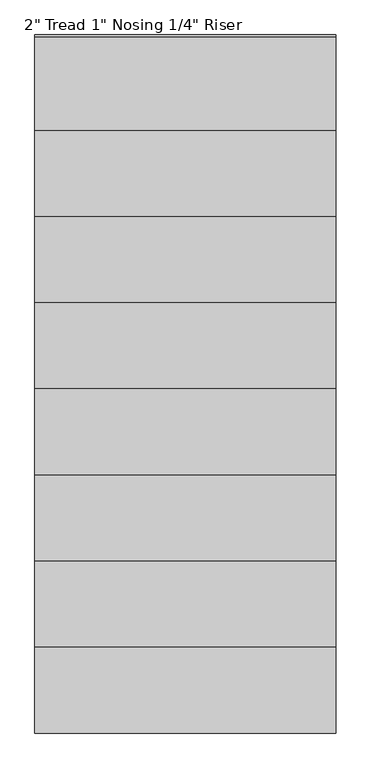
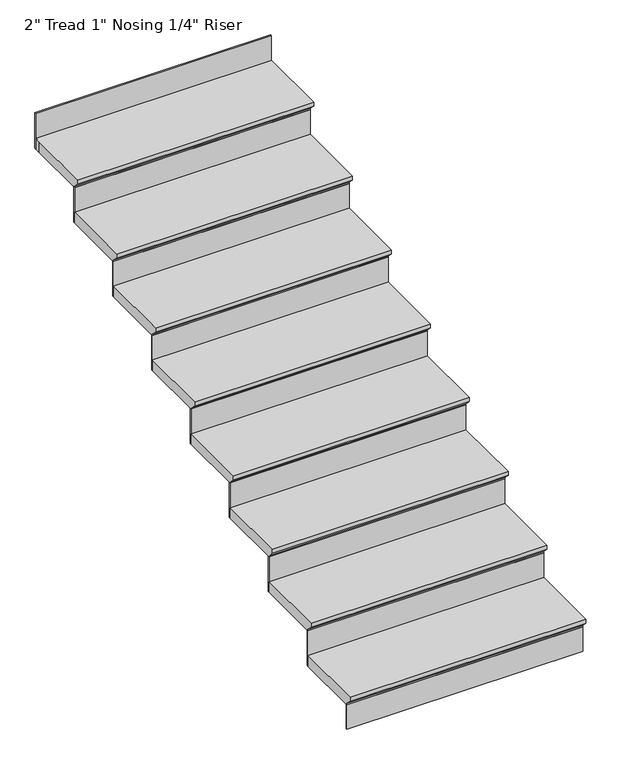
"""IFC4 building model written with IfcOpenShell, lengths in millimetres: stair flight geometry."""

import ifcopenshell
import ifcopenshell.guid

model = None  # the IFC model being written
_history = None  # IfcOwnerHistory: only IFC2X3 demands one
_inside = {}  # id of a spatial element -> (the spatial element, [elements in it])
_under = {}  # id of a project, library or spatial element -> (it, [spatial elements below it])
_declared = {}  # id of a project -> (the project, [libraries it declares])
_typed = {}  # id of a type object -> (the type object, [elements of that type])
_made_of = {}  # id of a material, layer set ... -> (it, [elements and type objects made of it])


def new_model(schema):
    """Start an empty IFC model of exactly this schema.

    Asked for "IFC4X3", IfcOpenShell would pick the latest addendum, in which some entities
    have other attributes; the version numbers below select the first issue.
    IFC2X3 requires an IfcOwnerHistory on every rooted entity: one is made here for all.
    """
    global model, _history
    if schema == "IFC4X3":
        model = ifcopenshell.file(schema_version=(4, 3, 0, 0))
    else:
        model = ifcopenshell.file(schema=schema)
    _inside.clear()
    _under.clear()
    _declared.clear()
    _typed.clear()
    _made_of.clear()
    _history = None
    if model.schema == "IFC2X3":
        org = make("IfcOrganization", Name="unknown")
        user = make(
            "IfcPersonAndOrganization",
            ThePerson=make("IfcPerson", FamilyName="unknown"),
            TheOrganization=org,
        )
        app = make(
            "IfcApplication",
            ApplicationDeveloper=org,
            Version="unknown",
            ApplicationFullName="unknown",
            ApplicationIdentifier="unknown",
        )
        _history = make(
            "IfcOwnerHistory",
            OwningUser=user,
            OwningApplication=app,
            ChangeAction="ADDED",
            CreationDate=0,
        )
    return model


def make(cls, **values):
    """One entity of the class cls with the attributes given. An attribute that is None is left unset."""
    return model.create_entity(
        cls, **{name: value for name, value in values.items() if value is not None}
    )


def rooted(cls, **values):
    """An entity with a GlobalId (a new one), such as an element, a storey or a relation."""
    return make(cls, GlobalId=ifcopenshell.guid.new(), OwnerHistory=_history, **values)


def si_unit(unit_type, name, prefix=None):
    """IfcSIUnit, for example si_unit("LENGTHUNIT", "METRE", prefix="MILLI")."""
    return make("IfcSIUnit", UnitType=unit_type, Prefix=prefix, Name=name)


def assignment(units):
    """IfcUnitAssignment: the units of a project."""
    return None if units is None else make("IfcUnitAssignment", Units=units)


def point(xyz):
    """IfcCartesianPoint."""
    return None if xyz is None else make("IfcCartesianPoint", Coordinates=xyz)


def direction(xyz):
    """IfcDirection."""
    return None if xyz is None else make("IfcDirection", DirectionRatios=xyz)


def frame(location, z_axis=None, x_axis=None):
    """IfcAxis2Placement3D, a coordinate frame: its origin and axes. An axis left out is left unset."""
    return make(
        "IfcAxis2Placement3D",
        Location=point(location),
        Axis=direction(z_axis),
        RefDirection=direction(x_axis),
    )


def origin():
    """The frame at (0, 0, 0) with its axes left unset."""
    return frame((0.0, 0.0, 0.0))


def place(relative_to, where):
    """IfcLocalPlacement: puts the frame where relative to a parent placement (None: the world)."""
    return make(
        "IfcLocalPlacement", PlacementRelTo=relative_to, RelativePlacement=where
    )


def context(
    kind, dimensions, precision=None, world=None, true_north=None, identifier=None
):
    """IfcGeometricRepresentationContext, for example the 3D "Model" context."""
    return make(
        "IfcGeometricRepresentationContext",
        ContextIdentifier=identifier,
        ContextType=kind,
        CoordinateSpaceDimension=dimensions,
        Precision=precision,
        WorldCoordinateSystem=world,
        TrueNorth=true_north,
    )


def project(units=None, contexts=None):
    """IfcProject with its units and contexts."""
    return rooted(
        "IfcProject",
        Name="project",
        RepresentationContexts=contexts,
        UnitsInContext=assignment(units),
    )


def spatial(cls, under=None, at=None, **own):
    """A site, building, storey or space (cls), placed at a placement, below another one or the project."""
    s = rooted(cls, ObjectPlacement=at, **own)
    if under is not None:
        _under.setdefault(under.id(), (under, []))[1].append(s)
    return s


def faces_of(points, faces, orient=None, outer=None):
    """IfcFace entities. A face is a list of loops; a loop is a list of indices into points, from 0.

    orient and outer hold one flag for each loop. By default every Orientation is true, the
    first loop of a face is its IfcFaceOuterBound and the others are IfcFaceBound.
    """
    made = []
    for i, loops in enumerate(faces):
        bounds = []
        for j, loop in enumerate(loops):
            is_outer = j == 0 if outer is None else outer[i][j]
            bounds.append(
                make(
                    "IfcFaceOuterBound" if is_outer else "IfcFaceBound",
                    Bound=make("IfcPolyLoop", Polygon=[points[k] for k in loop]),
                    Orientation=True if orient is None else orient[i][j],
                )
            )
        made.append(make("IfcFace", Bounds=bounds))
    return made


def faceted_brep(points, faces, orient=None, outer=None, voids=None):
    """IfcFacetedBrep: a solid bounded by flat faces; with voids (closed shells), ...WithVoids."""
    shared = [point(p) for p in points]
    hull = make("IfcClosedShell", CfsFaces=faces_of(shared, faces, orient, outer))
    if voids is None:
        return make("IfcFacetedBrep", Outer=hull)
    return make(
        "IfcFacetedBrepWithVoids",
        Outer=hull,
        Voids=[
            make(cls, CfsFaces=faces_of(shared, fs, o, b)) for cls, fs, o, b in voids
        ],
    )


def shape(context_of_items, identifier, shape_type, items):
    """IfcShapeRepresentation: the items that make up one representation, for example the "Body"."""
    return make(
        "IfcShapeRepresentation",
        ContextOfItems=context_of_items,
        RepresentationIdentifier=identifier,
        RepresentationType=shape_type,
        Items=items,
    )


def source(mapping_origin, context_of_items, identifier, shape_type, items):
    """IfcRepresentationMap: a shape defined once, which mapped items show again and again."""
    return make(
        "IfcRepresentationMap",
        MappingOrigin=mapping_origin,
        MappedRepresentation=shape(context_of_items, identifier, shape_type, items),
    )


def transform(
    local_origin,
    x_axis=None,
    y_axis=None,
    z_axis=None,
    scale=None,
    scale2=None,
    scale3=None,
    uniform=True,
):
    """IfcCartesianTransformationOperator3D, or its non-uniform kind. x_axis, y_axis, z_axis: its Axis1, 2, 3."""
    if uniform:
        return make(
            "IfcCartesianTransformationOperator3D",
            Axis1=direction(x_axis),
            Axis2=direction(y_axis),
            LocalOrigin=point(local_origin),
            Scale=scale,
            Axis3=direction(z_axis),
        )
    return make(
        "IfcCartesianTransformationOperator3DnonUniform",
        Axis1=direction(x_axis),
        Axis2=direction(y_axis),
        LocalOrigin=point(local_origin),
        Scale=scale,
        Axis3=direction(z_axis),
        Scale2=scale2,
        Scale3=scale3,
    )


def mapped(mapping_source, mapping_target):
    """IfcMappedItem: shows the shape of a source again, moved by a transform."""
    return make(
        "IfcMappedItem", MappingSource=mapping_source, MappingTarget=mapping_target
    )


def made_of(thing, what):
    """Note that an element or type object is made of a material, layer set ...; save() writes the relation."""
    if what is not None:
        _made_of.setdefault(what.id(), (what, []))[1].append(thing)
    return thing


def element(
    cls,
    number,
    at=None,
    inside=None,
    cuts=None,
    type_object=None,
    material=None,
    context=None,
    identifier="Body",
    shape_type=None,
    held_by="IfcProductDefinitionShape",
    body=None,
    shapes=None,
    **own,
):
    """One element of the class cls, such as IfcWall. Its Tag is "e" and its number.

    at: its placement. inside: the storey or other place that contains it. cuts: it is an
    opening in that element (IfcRelVoidsElement). A single representation is given by context,
    identifier, shape_type and body (its items); several are given by shapes. held_by: the class
    of the entity that holds the representations. save() writes the other relations.
    """
    e = rooted(cls, Tag="e%d" % number, ObjectPlacement=at, **own)
    if body is not None:
        shapes = [shape(context, identifier, shape_type, body)]
    if shapes is not None:
        e.Representation = make(held_by, Representations=shapes)
    if inside is not None:
        _inside.setdefault(inside.id(), (inside, []))[1].append(e)
    if cuts is not None:
        rooted(
            "IfcRelVoidsElement", RelatingBuildingElement=cuts, RelatedOpeningElement=e
        )
    if type_object is not None:
        _typed.setdefault(type_object.id(), (type_object, []))[1].append(e)
    return made_of(e, material)


def aggregate(whole, parts):
    """IfcRelAggregates: a whole, such as a stair, and the parts it consists of."""
    return rooted("IfcRelAggregates", RelatingObject=whole, RelatedObjects=parts)


def save(model, path):
    """Write the relations noted so far, then the file.

    IfcRelAggregates (storeys below a building ...), IfcRelContainedInSpatialStructure (elements
    in a storey), IfcRelDefinesByType, IfcRelAssociatesMaterial and IfcRelDeclares: one each for
    every whole, place, type object, material and project.
    """
    for whole, parts in _under.values():
        aggregate(whole, parts)
    for where, things in _inside.values():
        rooted(
            "IfcRelContainedInSpatialStructure",
            RelatedElements=things,
            RelatingStructure=where,
        )
    for kind, things in _typed.values():
        rooted("IfcRelDefinesByType", RelatedObjects=things, RelatingType=kind)
    for what, things in _made_of.values():
        rooted("IfcRelAssociatesMaterial", RelatedObjects=things, RelatingMaterial=what)
    for by, libraries in _declared.values():
        rooted("IfcRelDeclares", RelatingContext=by, RelatedDefinitions=libraries)
    model.write(path)


def stair_flight_ec5885e7(model_context):
    return source(origin(), model_context, "Body", "Brep", [
        faceted_brep([(37637.2404708, -15539.550078, 149.7852941), (37637.2404708, -15539.550078, 168.8352941), (36570.4404708, -15539.550078, 168.8352941), (36570.4404708, -15539.550078, 149.7852941), (37637.2404708, -15514.150078, 124.3852941), (36570.4404708, -15514.150078, 124.3852941), (37637.2404708, -15209.350078, 168.8352941), (36570.4404708, -15209.350078, 168.8352941), (36570.4404708, -15514.150078, 118.0352941), (36570.4404708, -15209.350078, 118.0352941), (37637.2404708, -15209.350078, 118.0352941), (37637.2404708, -15514.150078, 118.0352941)], [[[0, 1, 2, 3]], [[4, 0, 3, 5]], [[2, 1, 6, 7]], [[8, 9, 10, 11]], [[2, 7, 9, 8, 5, 3]], [[8, 11, 4, 5]], [[6, 1, 0, 4, 11, 10]], [[7, 6, 10, 9]]]),
        faceted_brep([(37637.2404708, -15514.150078, 118.0352941), (37637.2404708, -15514.150078, 0.0), (37637.2404708, -15507.800078, 0.0), (37637.2404708, -15507.800078, 118.0352941), (36570.4404708, -15514.150078, 118.0352941), (36570.4404708, -15507.800078, 118.0352941), (36570.4404708, -15507.800078, 0.0), (36570.4404708, -15514.150078, 0.0)], [[[0, 1, 2, 3]], [[4, 5, 6, 7]], [[1, 0, 4, 7]], [[2, 1, 7, 6]], [[3, 2, 6, 5]], [[0, 3, 5, 4]]]),
        faceted_brep([(37637.2404708, -15209.350078, 286.8705882), (37637.2404708, -15209.350078, 118.0352941), (37637.2404708, -15203.000078, 118.0352941), (37637.2404708, -15203.000078, 286.8705882), (36570.4404708, -15209.350078, 286.8705882), (36570.4404708, -15203.000078, 286.8705882), (36570.4404708, -15203.000078, 118.0352941), (36570.4404708, -15209.350078, 118.0352941)], [[[0, 1, 2, 3]], [[4, 5, 6, 7]], [[1, 0, 4, 7]], [[2, 1, 7, 6]], [[3, 2, 6, 5]], [[0, 3, 5, 4]]]),
        faceted_brep([(36570.4404708, -15234.750078, 337.6705882), (37637.2404708, -15234.750078, 337.6705882), (37637.2404708, -14904.550078, 337.6705882), (36570.4404708, -14904.550078, 337.6705882), (36570.4404708, -15209.350078, 286.8705882), (36570.4404708, -14904.550078, 286.8705882), (37637.2404708, -14904.550078, 286.8705882), (37637.2404708, -15209.350078, 286.8705882), (36570.4404708, -15209.350078, 293.2205882), (36570.4404708, -15234.750078, 318.6205882), (37637.2404708, -15209.350078, 293.2205882), (37637.2404708, -15234.750078, 318.6205882)], [[[0, 1, 2, 3]], [[4, 5, 6, 7]], [[0, 3, 5, 4, 8, 9]], [[4, 7, 10, 8]], [[2, 1, 11, 10, 7, 6]], [[3, 2, 6, 5]], [[11, 1, 0, 9]], [[10, 11, 9, 8]]]),
        faceted_brep([(37637.2404708, -14904.550078, 455.7058824), (37637.2404708, -14904.550078, 286.8705882), (37637.2404708, -14898.200078, 286.8705882), (37637.2404708, -14898.200078, 455.7058824), (36570.4404708, -14904.550078, 455.7058824), (36570.4404708, -14898.200078, 455.7058824), (36570.4404708, -14898.200078, 286.8705882), (36570.4404708, -14904.550078, 286.8705882)], [[[0, 1, 2, 3]], [[4, 5, 6, 7]], [[1, 0, 4, 7]], [[2, 1, 7, 6]], [[3, 2, 6, 5]], [[0, 3, 5, 4]]]),
        faceted_brep([(36570.4404708, -14929.950078, 506.5058824), (37637.2404708, -14929.950078, 506.5058824), (37637.2404708, -14599.750078, 506.5058824), (36570.4404708, -14599.750078, 506.5058824), (36570.4404708, -14904.550078, 455.7058824), (36570.4404708, -14599.750078, 455.7058824), (37637.2404708, -14599.750078, 455.7058824), (37637.2404708, -14904.550078, 455.7058824), (36570.4404708, -14904.550078, 462.0558824), (36570.4404708, -14929.950078, 487.4558824), (37637.2404708, -14904.550078, 462.0558824), (37637.2404708, -14929.950078, 487.4558824)], [[[0, 1, 2, 3]], [[4, 5, 6, 7]], [[0, 3, 5, 4, 8, 9]], [[4, 7, 10, 8]], [[2, 1, 11, 10, 7, 6]], [[3, 2, 6, 5]], [[11, 1, 0, 9]], [[10, 11, 9, 8]]]),
        faceted_brep([(37637.2404708, -14599.750078, 624.5411765), (37637.2404708, -14599.750078, 455.7058824), (37637.2404708, -14593.400078, 455.7058824), (37637.2404708, -14593.400078, 624.5411765), (36570.4404708, -14599.750078, 624.5411765), (36570.4404708, -14593.400078, 624.5411765), (36570.4404708, -14593.400078, 455.7058824), (36570.4404708, -14599.750078, 455.7058824)], [[[0, 1, 2, 3]], [[4, 5, 6, 7]], [[1, 0, 4, 7]], [[2, 1, 7, 6]], [[3, 2, 6, 5]], [[0, 3, 5, 4]]]),
        faceted_brep([(36570.4404708, -14625.150078, 675.3411765), (37637.2404708, -14625.150078, 675.3411765), (37637.2404708, -14294.950078, 675.3411765), (36570.4404708, -14294.950078, 675.3411765), (36570.4404708, -14599.750078, 624.5411765), (36570.4404708, -14294.950078, 624.5411765), (37637.2404708, -14294.950078, 624.5411765), (37637.2404708, -14599.750078, 624.5411765), (36570.4404708, -14599.750078, 630.8911765), (36570.4404708, -14625.150078, 656.2911765), (37637.2404708, -14599.750078, 630.8911765), (37637.2404708, -14625.150078, 656.2911765)], [[[0, 1, 2, 3]], [[4, 5, 6, 7]], [[0, 3, 5, 4, 8, 9]], [[4, 7, 10, 8]], [[2, 1, 11, 10, 7, 6]], [[3, 2, 6, 5]], [[11, 1, 0, 9]], [[10, 11, 9, 8]]]),
        faceted_brep([(37637.2404708, -14294.950078, 793.3764706), (37637.2404708, -14294.950078, 624.5411765), (37637.2404708, -14288.600078, 624.5411765), (37637.2404708, -14288.600078, 793.3764706), (36570.4404708, -14294.950078, 793.3764706), (36570.4404708, -14288.600078, 793.3764706), (36570.4404708, -14288.600078, 624.5411765), (36570.4404708, -14294.950078, 624.5411765)], [[[0, 1, 2, 3]], [[4, 5, 6, 7]], [[1, 0, 4, 7]], [[2, 1, 7, 6]], [[3, 2, 6, 5]], [[0, 3, 5, 4]]]),
        faceted_brep([(36570.4404708, -14320.350078, 844.1764706), (37637.2404708, -14320.350078, 844.1764706), (37637.2404708, -13990.150078, 844.1764706), (36570.4404708, -13990.150078, 844.1764706), (36570.4404708, -14294.950078, 793.3764706), (36570.4404708, -13990.150078, 793.3764706), (37637.2404708, -13990.150078, 793.3764706), (37637.2404708, -14294.950078, 793.3764706), (36570.4404708, -14294.950078, 799.7264706), (36570.4404708, -14320.350078, 825.1264706), (37637.2404708, -14294.950078, 799.7264706), (37637.2404708, -14320.350078, 825.1264706)], [[[0, 1, 2, 3]], [[4, 5, 6, 7]], [[0, 3, 5, 4, 8, 9]], [[4, 7, 10, 8]], [[2, 1, 11, 10, 7, 6]], [[3, 2, 6, 5]], [[11, 1, 0, 9]], [[10, 11, 9, 8]]]),
        faceted_brep([(37637.2404708, -13990.150078, 962.2117647), (37637.2404708, -13990.150078, 793.3764706), (37637.2404708, -13983.800078, 793.3764706), (37637.2404708, -13983.800078, 962.2117647), (36570.4404708, -13990.150078, 962.2117647), (36570.4404708, -13983.800078, 962.2117647), (36570.4404708, -13983.800078, 793.3764706), (36570.4404708, -13990.150078, 793.3764706)], [[[0, 1, 2, 3]], [[4, 5, 6, 7]], [[1, 0, 4, 7]], [[2, 1, 7, 6]], [[3, 2, 6, 5]], [[0, 3, 5, 4]]]),
        faceted_brep([(36570.4404708, -14015.550078, 1013.0117647), (37637.2404708, -14015.550078, 1013.0117647), (37637.2404708, -13685.350078, 1013.0117647), (36570.4404708, -13685.350078, 1013.0117647), (36570.4404708, -13990.150078, 962.2117647), (36570.4404708, -13685.350078, 962.2117647), (37637.2404708, -13685.350078, 962.2117647), (37637.2404708, -13990.150078, 962.2117647), (36570.4404708, -13990.150078, 968.5617647), (36570.4404708, -14015.550078, 993.9617647), (37637.2404708, -13990.150078, 968.5617647), (37637.2404708, -14015.550078, 993.9617647)], [[[0, 1, 2, 3]], [[4, 5, 6, 7]], [[0, 3, 5, 4, 8, 9]], [[4, 7, 10, 8]], [[2, 1, 11, 10, 7, 6]], [[3, 2, 6, 5]], [[11, 1, 0, 9]], [[10, 11, 9, 8]]]),
        faceted_brep([(37637.2404708, -13685.350078, 1131.0470588), (37637.2404708, -13685.350078, 962.2117647), (37637.2404708, -13679.000078, 962.2117647), (37637.2404708, -13679.000078, 1131.0470588), (36570.4404708, -13685.350078, 1131.0470588), (36570.4404708, -13679.000078, 1131.0470588), (36570.4404708, -13679.000078, 962.2117647), (36570.4404708, -13685.350078, 962.2117647)], [[[0, 1, 2, 3]], [[4, 5, 6, 7]], [[1, 0, 4, 7]], [[2, 1, 7, 6]], [[3, 2, 6, 5]], [[0, 3, 5, 4]]]),
        faceted_brep([(36570.4404708, -13710.750078, 1181.8470588), (37637.2404708, -13710.750078, 1181.8470588), (37637.2404708, -13380.550078, 1181.8470588), (36570.4404708, -13380.550078, 1181.8470588), (36570.4404708, -13685.350078, 1131.0470588), (36570.4404708, -13380.550078, 1131.0470588), (37637.2404708, -13380.550078, 1131.0470588), (37637.2404708, -13685.350078, 1131.0470588), (36570.4404708, -13685.350078, 1137.3970588), (36570.4404708, -13710.750078, 1162.7970588), (37637.2404708, -13685.350078, 1137.3970588), (37637.2404708, -13710.750078, 1162.7970588)], [[[0, 1, 2, 3]], [[4, 5, 6, 7]], [[0, 3, 5, 4, 8, 9]], [[4, 7, 10, 8]], [[2, 1, 11, 10, 7, 6]], [[3, 2, 6, 5]], [[11, 1, 0, 9]], [[10, 11, 9, 8]]]),
        faceted_brep([(37637.2404708, -13075.750078, 1468.7176471), (37637.2404708, -13075.750078, 1299.8823529), (37637.2404708, -13069.400078, 1299.8823529), (37637.2404708, -13069.400078, 1468.7176471), (36570.4404708, -13075.750078, 1468.7176471), (36570.4404708, -13069.400078, 1468.7176471), (36570.4404708, -13069.400078, 1299.8823529), (36570.4404708, -13075.750078, 1299.8823529)], [[[0, 1, 2, 3]], [[4, 5, 6, 7]], [[1, 0, 4, 7]], [[2, 1, 7, 6]], [[3, 2, 6, 5]], [[0, 3, 5, 4]]]),
        faceted_brep([(37637.2404708, -13380.550078, 1299.8823529), (37637.2404708, -13380.550078, 1131.0470588), (37637.2404708, -13374.200078, 1131.0470588), (37637.2404708, -13374.200078, 1299.8823529), (36570.4404708, -13380.550078, 1299.8823529), (36570.4404708, -13374.200078, 1299.8823529), (36570.4404708, -13374.200078, 1131.0470588), (36570.4404708, -13380.550078, 1131.0470588)], [[[0, 1, 2, 3]], [[4, 5, 6, 7]], [[1, 0, 4, 7]], [[2, 1, 7, 6]], [[3, 2, 6, 5]], [[0, 3, 5, 4]]]),
        faceted_brep([(36570.4404708, -13075.750078, 1350.6823529), (36570.4404708, -13101.150078, 1350.6823529), (36570.4404708, -13405.950078, 1350.6823529), (37637.2404708, -13405.950078, 1350.6823529), (37637.2404708, -13075.750078, 1350.6823529), (36570.4404708, -13101.150078, 1299.8823529), (36570.4404708, -13075.750078, 1299.8823529), (37637.2404708, -13075.750078, 1299.8823529), (37637.2404708, -13380.550078, 1299.8823529), (36570.4404708, -13380.550078, 1299.8823529), (36570.4404708, -13380.550078, 1306.2323529), (36570.4404708, -13405.950078, 1331.6323529), (37637.2404708, -13380.550078, 1306.2323529), (37637.2404708, -13405.950078, 1331.6323529)], [[[0, 1, 2, 3, 4]], [[5, 6, 7, 8, 9]], [[1, 0, 6, 5]], [[2, 1, 5, 9, 10, 11]], [[9, 8, 12, 10]], [[4, 3, 13, 12, 8, 7]], [[0, 4, 7, 6]], [[13, 3, 2, 11]], [[12, 13, 11, 10]]]),
    ])


if __name__ == "__main__":
    model = new_model("IFC4")
    model_context = context("Model", 3, world=origin())
    ifc_project = project(units=[si_unit("LENGTHUNIT", "METRE", prefix="MILLI")], contexts=[model_context])
    site = spatial("IfcSite", under=ifc_project)
    building = spatial("IfcBuilding", under=site)
    placement = place(None, origin())
    stair_flight_shape = stair_flight_ec5885e7(model_context)
    element("IfcStairFlight", 1, ObjectType="2\" Tread 1\" Nosing 1/4\" Riser", at=placement, inside=building, context=model_context, shape_type="MappedRepresentation", body=[
        mapped(stair_flight_shape, transform((0.0, 0.0, 0.0), x_axis=(1.0, 0.0, 0.0), y_axis=(0.0, 1.0, 0.0), z_axis=(0.0, 0.0, 1.0))),
    ])
    save(model, "model.ifc")
